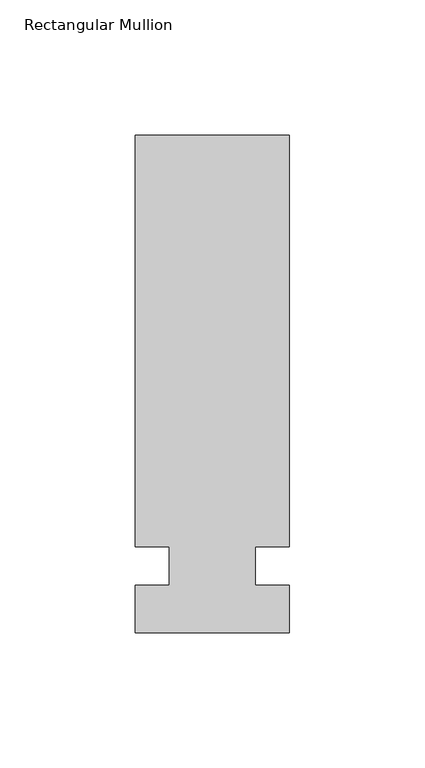
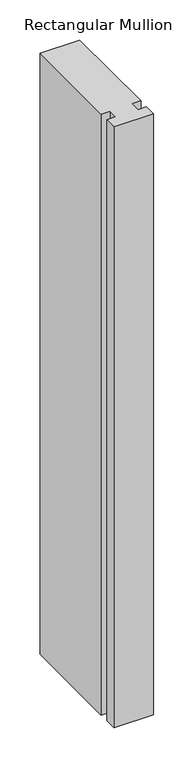
"""IFC4 building model written with IfcOpenShell, lengths in millimetres: member geometry, Rectangular Mullion."""

import ifcopenshell
import ifcopenshell.guid

model = None  # the IFC model being written
_history = None  # IfcOwnerHistory: only IFC2X3 demands one
_inside = {}  # id of a spatial element -> (the spatial element, [elements in it])
_under = {}  # id of a project, library or spatial element -> (it, [spatial elements below it])
_declared = {}  # id of a project -> (the project, [libraries it declares])
_typed = {}  # id of a type object -> (the type object, [elements of that type])
_made_of = {}  # id of a material, layer set ... -> (it, [elements and type objects made of it])


def new_model(schema):
    """Start an empty IFC model of exactly this schema.

    Asked for "IFC4X3", IfcOpenShell would pick the latest addendum, in which some entities
    have other attributes; the version numbers below select the first issue.
    IFC2X3 requires an IfcOwnerHistory on every rooted entity: one is made here for all.
    """
    global model, _history
    if schema == "IFC4X3":
        model = ifcopenshell.file(schema_version=(4, 3, 0, 0))
    else:
        model = ifcopenshell.file(schema=schema)
    _inside.clear()
    _under.clear()
    _declared.clear()
    _typed.clear()
    _made_of.clear()
    _history = None
    if model.schema == "IFC2X3":
        org = make("IfcOrganization", Name="unknown")
        user = make(
            "IfcPersonAndOrganization",
            ThePerson=make("IfcPerson", FamilyName="unknown"),
            TheOrganization=org,
        )
        app = make(
            "IfcApplication",
            ApplicationDeveloper=org,
            Version="unknown",
            ApplicationFullName="unknown",
            ApplicationIdentifier="unknown",
        )
        _history = make(
            "IfcOwnerHistory",
            OwningUser=user,
            OwningApplication=app,
            ChangeAction="ADDED",
            CreationDate=0,
        )
    return model


def make(cls, **values):
    """One entity of the class cls with the attributes given. An attribute that is None is left unset."""
    return model.create_entity(
        cls, **{name: value for name, value in values.items() if value is not None}
    )


def rooted(cls, **values):
    """An entity with a GlobalId (a new one), such as an element, a storey or a relation."""
    return make(cls, GlobalId=ifcopenshell.guid.new(), OwnerHistory=_history, **values)


def si_unit(unit_type, name, prefix=None):
    """IfcSIUnit, for example si_unit("LENGTHUNIT", "METRE", prefix="MILLI")."""
    return make("IfcSIUnit", UnitType=unit_type, Prefix=prefix, Name=name)


def assignment(units):
    """IfcUnitAssignment: the units of a project."""
    return None if units is None else make("IfcUnitAssignment", Units=units)


def point(xyz):
    """IfcCartesianPoint."""
    return None if xyz is None else make("IfcCartesianPoint", Coordinates=xyz)


def direction(xyz):
    """IfcDirection."""
    return None if xyz is None else make("IfcDirection", DirectionRatios=xyz)


def frame(location, z_axis=None, x_axis=None):
    """IfcAxis2Placement3D, a coordinate frame: its origin and axes. An axis left out is left unset."""
    return make(
        "IfcAxis2Placement3D",
        Location=point(location),
        Axis=direction(z_axis),
        RefDirection=direction(x_axis),
    )


def origin():
    """The frame at (0, 0, 0) with its axes left unset."""
    return frame((0.0, 0.0, 0.0))


def place(relative_to, where):
    """IfcLocalPlacement: puts the frame where relative to a parent placement (None: the world)."""
    return make(
        "IfcLocalPlacement", PlacementRelTo=relative_to, RelativePlacement=where
    )


def context(
    kind, dimensions, precision=None, world=None, true_north=None, identifier=None
):
    """IfcGeometricRepresentationContext, for example the 3D "Model" context."""
    return make(
        "IfcGeometricRepresentationContext",
        ContextIdentifier=identifier,
        ContextType=kind,
        CoordinateSpaceDimension=dimensions,
        Precision=precision,
        WorldCoordinateSystem=world,
        TrueNorth=true_north,
    )


def project(units=None, contexts=None):
    """IfcProject with its units and contexts."""
    return rooted(
        "IfcProject",
        Name="project",
        RepresentationContexts=contexts,
        UnitsInContext=assignment(units),
    )


def spatial(cls, under=None, at=None, **own):
    """A site, building, storey or space (cls), placed at a placement, below another one or the project."""
    s = rooted(cls, ObjectPlacement=at, **own)
    if under is not None:
        _under.setdefault(under.id(), (under, []))[1].append(s)
    return s


def polyline(points):
    """IfcPolyline through the points."""
    return make("IfcPolyline", Points=[point(p) for p in points])


def outline(outer, holes=None, kind="AREA"):
    """IfcArbitraryClosedProfileDef: a profile drawn as a closed curve; with holes, ...WithVoids."""
    if holes is None:
        return make("IfcArbitraryClosedProfileDef", ProfileType=kind, OuterCurve=outer)
    return make(
        "IfcArbitraryProfileDefWithVoids",
        ProfileType=kind,
        OuterCurve=outer,
        InnerCurves=holes,
    )


def extrude(swept, where, along, depth):
    """IfcExtrudedAreaSolid: the profile swept, set in the frame where, extruded along a direction by depth."""
    return make(
        "IfcExtrudedAreaSolid",
        SweptArea=swept,
        Position=where,
        ExtrudedDirection=direction(along),
        Depth=depth,
    )


def shape(context_of_items, identifier, shape_type, items):
    """IfcShapeRepresentation: the items that make up one representation, for example the "Body"."""
    return make(
        "IfcShapeRepresentation",
        ContextOfItems=context_of_items,
        RepresentationIdentifier=identifier,
        RepresentationType=shape_type,
        Items=items,
    )


def source(mapping_origin, context_of_items, identifier, shape_type, items):
    """IfcRepresentationMap: a shape defined once, which mapped items show again and again."""
    return make(
        "IfcRepresentationMap",
        MappingOrigin=mapping_origin,
        MappedRepresentation=shape(context_of_items, identifier, shape_type, items),
    )


def transform(
    local_origin,
    x_axis=None,
    y_axis=None,
    z_axis=None,
    scale=None,
    scale2=None,
    scale3=None,
    uniform=True,
):
    """IfcCartesianTransformationOperator3D, or its non-uniform kind. x_axis, y_axis, z_axis: its Axis1, 2, 3."""
    if uniform:
        return make(
            "IfcCartesianTransformationOperator3D",
            Axis1=direction(x_axis),
            Axis2=direction(y_axis),
            LocalOrigin=point(local_origin),
            Scale=scale,
            Axis3=direction(z_axis),
        )
    return make(
        "IfcCartesianTransformationOperator3DnonUniform",
        Axis1=direction(x_axis),
        Axis2=direction(y_axis),
        LocalOrigin=point(local_origin),
        Scale=scale,
        Axis3=direction(z_axis),
        Scale2=scale2,
        Scale3=scale3,
    )


def mapped(mapping_source, mapping_target):
    """IfcMappedItem: shows the shape of a source again, moved by a transform."""
    return make(
        "IfcMappedItem", MappingSource=mapping_source, MappingTarget=mapping_target
    )


def made_of(thing, what):
    """Note that an element or type object is made of a material, layer set ...; save() writes the relation."""
    if what is not None:
        _made_of.setdefault(what.id(), (what, []))[1].append(thing)
    return thing


def element(
    cls,
    number,
    at=None,
    inside=None,
    cuts=None,
    type_object=None,
    material=None,
    context=None,
    identifier="Body",
    shape_type=None,
    held_by="IfcProductDefinitionShape",
    body=None,
    shapes=None,
    **own,
):
    """One element of the class cls, such as IfcWall. Its Tag is "e" and its number.

    at: its placement. inside: the storey or other place that contains it. cuts: it is an
    opening in that element (IfcRelVoidsElement). A single representation is given by context,
    identifier, shape_type and body (its items); several are given by shapes. held_by: the class
    of the entity that holds the representations. save() writes the other relations.
    """
    e = rooted(cls, Tag="e%d" % number, ObjectPlacement=at, **own)
    if body is not None:
        shapes = [shape(context, identifier, shape_type, body)]
    if shapes is not None:
        e.Representation = make(held_by, Representations=shapes)
    if inside is not None:
        _inside.setdefault(inside.id(), (inside, []))[1].append(e)
    if cuts is not None:
        rooted(
            "IfcRelVoidsElement", RelatingBuildingElement=cuts, RelatedOpeningElement=e
        )
    if type_object is not None:
        _typed.setdefault(type_object.id(), (type_object, []))[1].append(e)
    return made_of(e, material)


def aggregate(whole, parts):
    """IfcRelAggregates: a whole, such as a stair, and the parts it consists of."""
    return rooted("IfcRelAggregates", RelatingObject=whole, RelatedObjects=parts)


def save(model, path):
    """Write the relations noted so far, then the file.

    IfcRelAggregates (storeys below a building ...), IfcRelContainedInSpatialStructure (elements
    in a storey), IfcRelDefinesByType, IfcRelAssociatesMaterial and IfcRelDeclares: one each for
    every whole, place, type object, material and project.
    """
    for whole, parts in _under.values():
        aggregate(whole, parts)
    for where, things in _inside.values():
        rooted(
            "IfcRelContainedInSpatialStructure",
            RelatedElements=things,
            RelatingStructure=where,
        )
    for kind, things in _typed.values():
        rooted("IfcRelDefinesByType", RelatedObjects=things, RelatingType=kind)
    for what, things in _made_of.values():
        rooted("IfcRelAssociatesMaterial", RelatedObjects=things, RelatingMaterial=what)
    for by, libraries in _declared.values():
        rooted("IfcRelDeclares", RelatingContext=by, RelatedDefinitions=libraries)
    model.write(path)


def rectangular_mullion_f6967f70(model_context):
    return source(origin(), model_context, "Body", "SweptSolid", [
        extrude(outline(polyline([(32.9094027, 159.54375), (32.9094027, 7.14375), (20.2076322, 7.14375), (20.2076322, -7.14375), (32.9094027, -7.14375), (32.9094027, -24.60625), (-24.2405973, -24.60625), (-24.2405973, -7.14375), (-11.5405973, -7.14375), (-11.5405973, 7.14375), (-24.2405973, 7.14375), (-24.2405973, 159.54375), (32.9094027, 159.54375)])), frame((0.0, 0.0, -913.2405973), z_axis=(0.0, 0.0, 1.0), x_axis=(1.0, 0.0, 0.0)), (0.0, 0.0, 1.0), 913.2405973),
    ])


if __name__ == "__main__":
    model = new_model("IFC4")
    model_context = context("Model", 3, world=origin())
    ifc_project = project(units=[si_unit("LENGTHUNIT", "METRE", prefix="MILLI")], contexts=[model_context])
    site = spatial("IfcSite", under=ifc_project)
    building = spatial("IfcBuilding", under=site)
    placement = place(None, origin())
    rectangular_mullion_shape = rectangular_mullion_f6967f70(model_context)
    element("IfcMember", 1, ObjectType="Rectangular Mullion", at=placement, inside=building, context=model_context, shape_type="MappedRepresentation", body=[
        mapped(rectangular_mullion_shape, transform((0.0, 0.0, 0.0), x_axis=(1.0, 0.0, 0.0), y_axis=(0.0, 1.0, 0.0), z_axis=(0.0, 0.0, 1.0))),
    ])
    save(model, "model.ifc")
